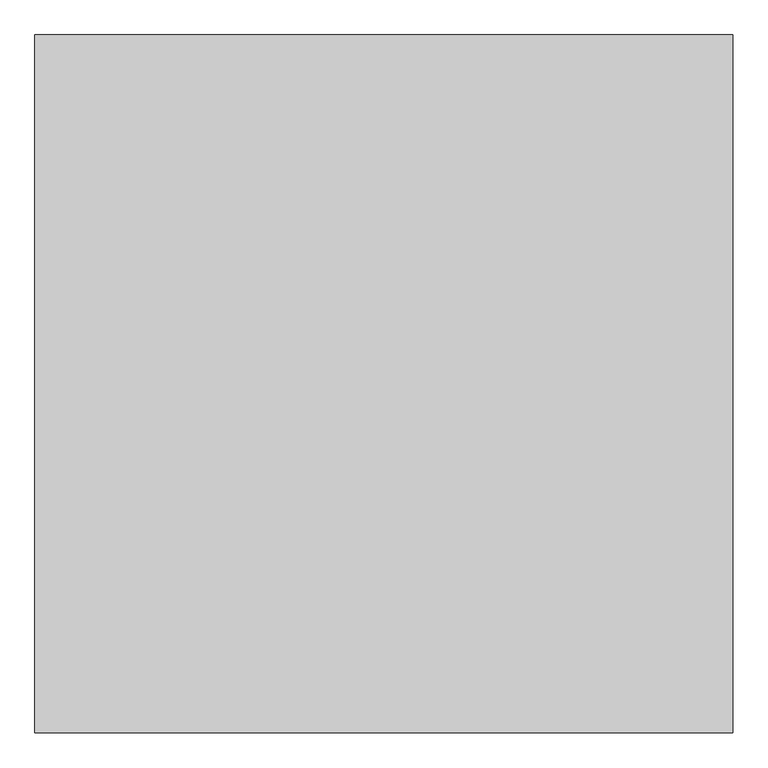
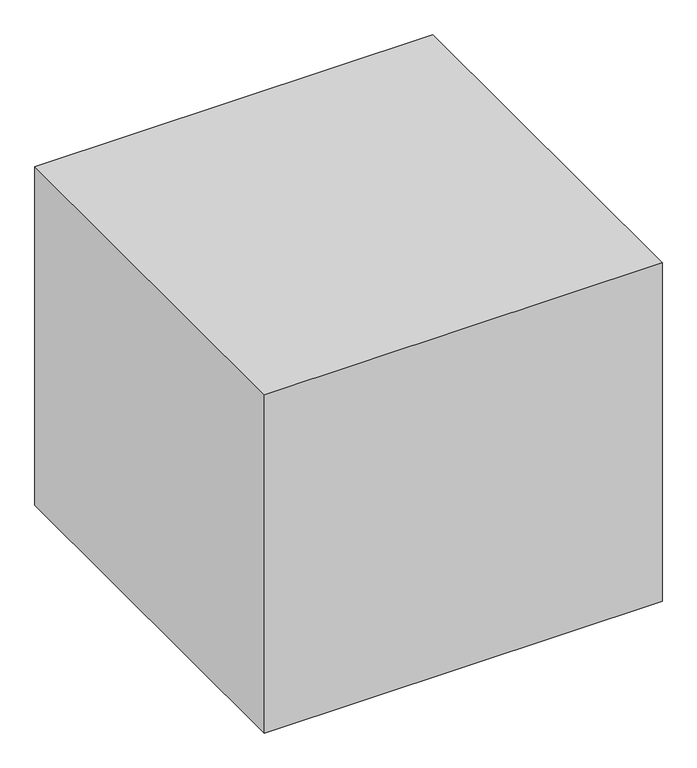
"""IFC4 building model written with IfcOpenShell, lengths in millimetres: proxy geometry."""

from ifc_helpers import new_model, si_unit, origin, origin_with_axes, place, context, project, spatial, polyline, outline, extrude, source, transform, mapped, element, save


def generic_models_e67531d2(model_context):
    return source(origin(), model_context, "Body", "SweptSolid", [
        extrude(outline(polyline([(-480.7030535, 40.8346095), (-480.7030535, -9959.1653905), (-10480.7030535, -9959.1653905), (-10480.7030535, 40.8346095), (-480.7030535, 40.8346095)])), origin_with_axes(), (0.0, 0.0, 1.0), 9000.0),
    ])


if __name__ == "__main__":
    model = new_model("IFC4")
    model_context = context("Model", 3, world=origin())
    ifc_project = project(units=[si_unit("LENGTHUNIT", "METRE", prefix="MILLI")], contexts=[model_context])
    site = spatial("IfcSite", under=ifc_project)
    building = spatial("IfcBuilding", under=site)
    placement = place(None, origin())
    generic_models_shape = generic_models_e67531d2(model_context)
    element("IfcBuildingElementProxy", 1, Name="Generic Models", at=placement, inside=building, context=model_context, shape_type="MappedRepresentation", body=[
        mapped(generic_models_shape, transform((0.0, 0.0, 0.0), x_axis=(1.0, 0.0, 0.0), y_axis=(0.0, 1.0, 0.0), z_axis=(0.0, 0.0, 1.0))),
    ])
    save(model, "model.ifc")
